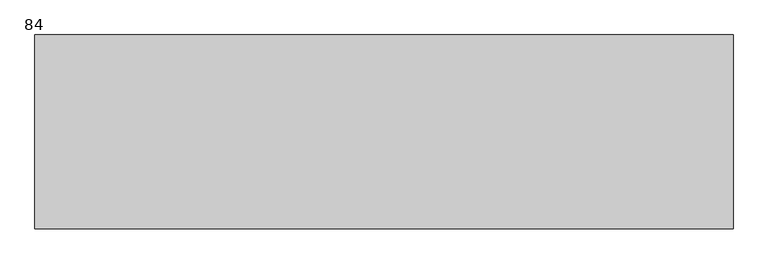
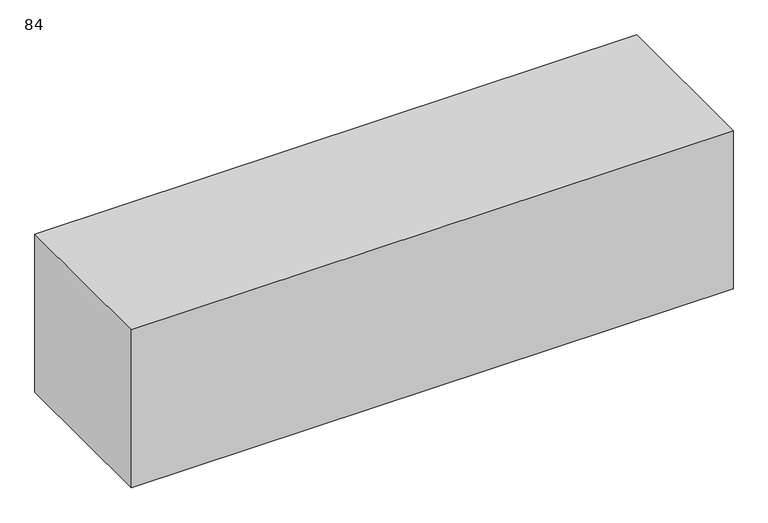
"""IFC4 building model written with IfcOpenShell, lengths in millimetres: proxy geometry, 84."""

from ifc_helpers import new_model, si_unit, frame, origin, place, context, project, spatial, polyline, outline, extrude, source, transform, mapped, element, save


def proxy_84_ca1e777e(model_context):
    return source(origin(), model_context, "Body", "SweptSolid", [
        extrude(outline(polyline([(1098.55, -304.8), (-1098.55, -304.8), (-1098.55, 304.8), (1098.55, 304.8), (1098.55, -304.8)])), frame((0.0, 0.0, 2286.0), z_axis=(0.0, 0.0, 1.0), x_axis=(1.0, 0.0, 0.0)), (0.0, 0.0, 1.0), 609.6),
    ])


if __name__ == "__main__":
    model = new_model("IFC4")
    model_context = context("Model", 3, world=origin())
    ifc_project = project(units=[si_unit("LENGTHUNIT", "METRE", prefix="MILLI")], contexts=[model_context])
    site = spatial("IfcSite", under=ifc_project)
    building = spatial("IfcBuilding", under=site)
    placement = place(None, origin())
    proxy_84_shape = proxy_84_ca1e777e(model_context)
    element("IfcBuildingElementProxy", 1, Name="84", ObjectType="84", at=placement, inside=building, context=model_context, shape_type="MappedRepresentation", body=[
        mapped(proxy_84_shape, transform((0.0, 0.0, 0.0), x_axis=(1.0, 0.0, 0.0), y_axis=(0.0, 1.0, 0.0), z_axis=(0.0, 0.0, 1.0))),
    ])
    save(model, "model.ifc")
